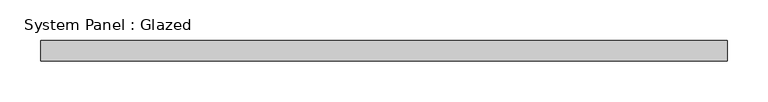
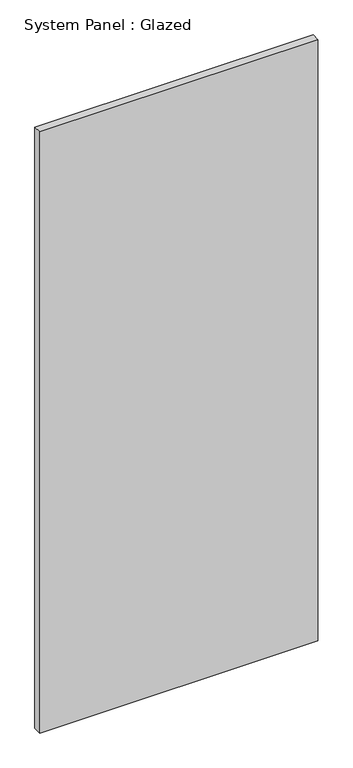
"""IFC4 building model written with IfcOpenShell, lengths in millimetres: plate geometry, System Panel : Glazed."""

from ifc_helpers import new_model, si_unit, origin, origin_with_axes, place, context, project, spatial, polyline, outline, extrude, source, transform, mapped, element, save


def system_panel_glazed_87e301de(model_context):
    return source(origin(), model_context, "Body", "SweptSolid", [
        extrude(outline(polyline([(421.0584573, 19.05), (-421.0584573, 19.05), (-421.0584573, 44.45), (421.0584573, 44.45), (421.0584573, 19.05)])), origin_with_axes(), (0.0, 0.0, 1.0), 1924.05),
    ])


if __name__ == "__main__":
    model = new_model("IFC4")
    model_context = context("Model", 3, world=origin())
    ifc_project = project(units=[si_unit("LENGTHUNIT", "METRE", prefix="MILLI")], contexts=[model_context])
    site = spatial("IfcSite", under=ifc_project)
    building = spatial("IfcBuilding", under=site)
    placement = place(None, origin())
    system_panel_glazed_shape = system_panel_glazed_87e301de(model_context)
    element("IfcPlate", 1, ObjectType="System Panel : Glazed", at=placement, inside=building, context=model_context, shape_type="MappedRepresentation", body=[
        mapped(system_panel_glazed_shape, transform((0.0, 0.0, 0.0), x_axis=(1.0, 0.0, 0.0), y_axis=(0.0, 1.0, 0.0), z_axis=(0.0, 0.0, 1.0))),
    ])
    save(model, "model.ifc")
